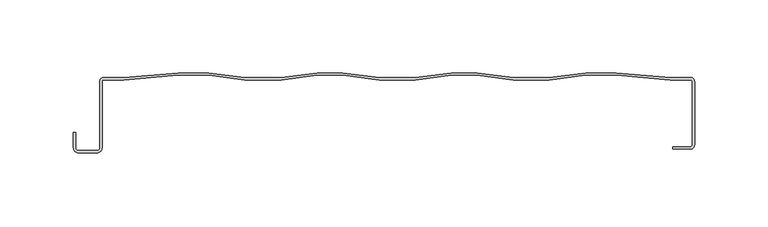
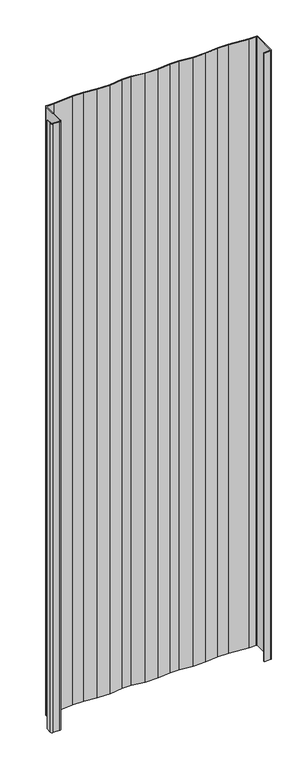
"""IFC4 building model written with IfcOpenShell, lengths in millimetres: plate geometry."""

from ifc_helpers import new_model, si_unit, point, frame_2d, origin, origin_with_axes, place, context, project, spatial, polyline, circle_curve, trimmed, segment, composite_curve, outline, extrude, source, transform, mapped, element, save


def plate_b839ecd6(model_context):
    return source(origin(), model_context, "Body", "SweptSolid", [
        extrude(outline(composite_curve([segment(trimmed(circle_curve(frame_2d((-199.2105346, -5.5697318)), 2.665351), [point((-201.8758856, -5.5697318))], [point((-200.175989, -3.085382))], False, "CARTESIAN"), True, "CONTINUOUS"), segment(polyline([(-200.175989, -3.085382), (-185.4945499, -3.085382), (-148.4699659, 0.0), (-127.6876451, 0.0), (-103.0045891, -3.085382), (-78.4923704, -3.085382), (-53.8093144, 0.0), (-36.3552245, 0.0), (-11.6721685, -3.085382), (12.8400502, -3.085382), (37.5231062, 0.0), (54.9771961, 0.0), (79.6602521, -3.085382), (104.1724708, -3.085382), (128.8557176, -0.0030647), (149.6378476, 0.0), (186.6624316, -3.085382), (201.3048148, -3.085382)]), True, "CONTINUOUS"), segment(trimmed(circle_curve(frame_2d((200.3335422, -5.569048)), 2.6668272), [point((201.3048148, -3.085382))], [point((203.0, -5.6134343))], False, "CARTESIAN"), True, "CONTINUOUS"), segment(polyline([(203.0, -5.6134343), (203.0, -48.9858836)]), True, "CONTINUOUS"), segment(trimmed(circle_curve(frame_2d((200.2262298, -48.9858836)), 2.7737702), [point((203.0, -48.9858836))], [point((200.2262298, -51.7596538))], False, "CARTESIAN"), True, "CONTINUOUS"), segment(polyline([(200.2262298, -51.7596538), (188.1469081, -51.7596538), (188.1469081, -50.1419195), (200.2262298, -50.1419195)]), True, "CONTINUOUS"), segment(trimmed(circle_curve(frame_2d((200.2262298, -48.9858836)), 1.1560358), [point((200.2262298, -50.1419195))], [point((201.3822657, -48.9858836))], True, "CARTESIAN"), True, "CONTINUOUS"), segment(polyline([(201.3822657, -48.9858836), (201.3822657, -5.6134343)]), True, "CONTINUOUS"), segment(trimmed(circle_curve(frame_2d((200.2262298, -5.6134343)), 1.1560358), [point((201.3822657, -5.6134343))], [point((200.2262298, -4.4573985))], True, "CARTESIAN"), True, "CONTINUOUS"), segment(polyline([(200.2262298, -4.4573985), (186.6053632, -4.4573985), (149.5807792, -1.3720165), (128.9409454, -1.3720165), (104.2578894, -4.4573985), (79.5748334, -4.4573985), (54.8917774, -1.3720165), (37.6085249, -1.3720165), (12.9254689, -4.4573985), (-11.7575871, -4.4573985), (-36.4406431, -1.3720165), (-53.7238957, -1.3720165), (-78.4069517, -4.4573985), (-103.0900077, -4.4573985), (-127.7730637, -1.3720165), (-148.4128974, -1.3720165), (-185.4374814, -4.4573985), (-199.2105346, -4.4573985)]), True, "CONTINUOUS"), segment(trimmed(circle_curve(frame_2d((-199.2105346, -5.5697318)), 1.1123332), [point((-199.2105346, -4.4573985))], [point((-200.3228679, -5.5697318))], True, "CARTESIAN"), True, "CONTINUOUS"), segment(polyline([(-200.3228679, -5.5697318), (-200.3228679, -50.802476)]), True, "CONTINUOUS"), segment(trimmed(circle_curve(frame_2d((-203.8552284, -50.802476)), 3.5323605), [point((-200.3228679, -50.802476))], [point((-203.8552284, -54.3348365))], False, "CARTESIAN"), True, "CONTINUOUS"), segment(polyline([(-203.8552284, -54.3348365), (-216.2410783, -54.3348365)]), True, "CONTINUOUS"), segment(trimmed(circle_curve(frame_2d((-216.2410783, -50.802476)), 3.5323605), [point((-216.2410783, -54.3348365))], [point((-219.7734388, -50.802476))], False, "CARTESIAN"), True, "CONTINUOUS"), segment(polyline([(-219.7734388, -50.802476), (-219.7734388, -40.3959688), (-218.220421, -40.3959688), (-218.220421, -50.802476)]), True, "CONTINUOUS"), segment(trimmed(circle_curve(frame_2d((-216.2410783, -50.802476)), 1.9793427), [point((-218.220421, -50.802476))], [point((-216.2410783, -52.7818187))], True, "CARTESIAN"), True, "CONTINUOUS"), segment(polyline([(-216.2410783, -52.7818187), (-203.8552284, -52.7818187)]), True, "CONTINUOUS"), segment(trimmed(circle_curve(frame_2d((-203.8552284, -50.802476)), 1.9793427), [point((-203.8552284, -52.7818187))], [point((-201.8758856, -50.802476))], True, "CARTESIAN"), True, "CONTINUOUS"), segment(polyline([(-201.8758856, -50.802476), (-201.8758856, -5.5697318)]), True, "CONTINUOUS")], self_intersect=False)), origin_with_axes(), (0.0, 0.0, 1.0), 1228.3559792),
    ])


if __name__ == "__main__":
    model = new_model("IFC4")
    model_context = context("Model", 3, world=origin())
    ifc_project = project(units=[si_unit("LENGTHUNIT", "METRE", prefix="MILLI")], contexts=[model_context])
    site = spatial("IfcSite", under=ifc_project)
    building = spatial("IfcBuilding", under=site)
    placement = place(None, origin())
    plate_shape = plate_b839ecd6(model_context)
    element("IfcPlate", 1, at=placement, inside=building, context=model_context, shape_type="MappedRepresentation", body=[
        mapped(plate_shape, transform((0.0, 0.0, 0.0), x_axis=(1.0, 0.0, 0.0), y_axis=(0.0, 1.0, 0.0), z_axis=(0.0, 0.0, 1.0))),
    ])
    save(model, "model.ifc")
